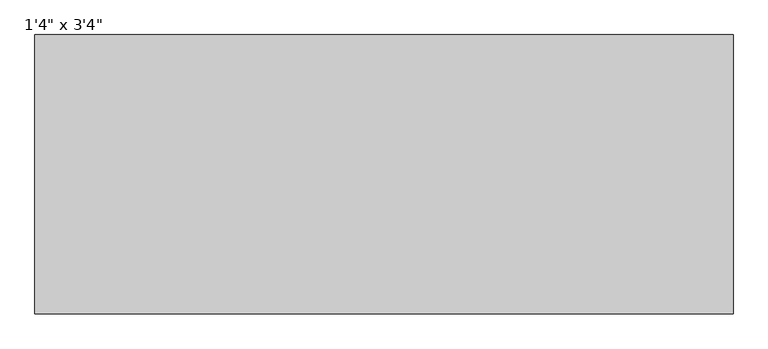
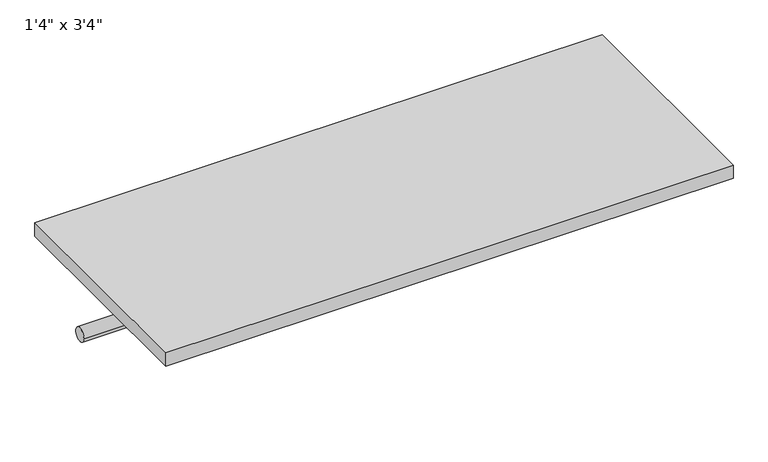
"""IFC4 building model written with IfcOpenShell, lengths in millimetres: furniture geometry."""

from ifc_helpers import new_model, si_unit, point, frame, frame_2d, origin, origin_with_axes, place, context, project, spatial, polyline, circle_curve, trimmed, segment, composite_curve, outline, extrude, source, transform, mapped, element, save


def furniture_d1d9e870(model_context):
    return source(origin(), model_context, "Body", "SweptSolid", [
        extrude(outline(composite_curve([segment(trimmed(circle_curve(frame_2d((-342.9, -101.6)), 12.7), [point((-330.2, -101.6))], [point((-355.6, -101.6))], False, "CARTESIAN"), True, "CONTINUOUS"), segment(trimmed(circle_curve(frame_2d((-342.9, -101.6)), 12.7), [point((-355.6, -101.6))], [point((-330.2, -101.6))], False, "CARTESIAN"), True, "CONTINUOUS")], self_intersect=False)), frame((-489.2622951, 0.0, 0.0), z_axis=(1.0, 0.0, 0.0), x_axis=(0.0, 1.0, 0.0)), (0.0, 0.0, 1.0), 1016.0),
        extrude(outline(polyline([(526.7377049, -203.2), (526.7377049, -609.6), (-489.2622951, -609.6), (-489.2622951, -203.2), (526.7377049, -203.2)])), origin_with_axes(), (0.0, 0.0, 1.0), 25.4),
    ])


if __name__ == "__main__":
    model = new_model("IFC4")
    model_context = context("Model", 3, world=origin())
    ifc_project = project(units=[si_unit("LENGTHUNIT", "METRE", prefix="MILLI")], contexts=[model_context])
    site = spatial("IfcSite", under=ifc_project)
    building = spatial("IfcBuilding", under=site)
    placement = place(None, origin())
    furniture_shape = furniture_d1d9e870(model_context)
    element("IfcFurniture", 1, ObjectType="1'4\" x 3'4\"", at=placement, inside=building, context=model_context, shape_type="MappedRepresentation", body=[
        mapped(furniture_shape, transform((0.0, 0.0, 0.0), x_axis=(1.0, 0.0, 0.0), y_axis=(0.0, 1.0, 0.0), z_axis=(0.0, 0.0, 1.0))),
    ])
    save(model, "model.ifc")
